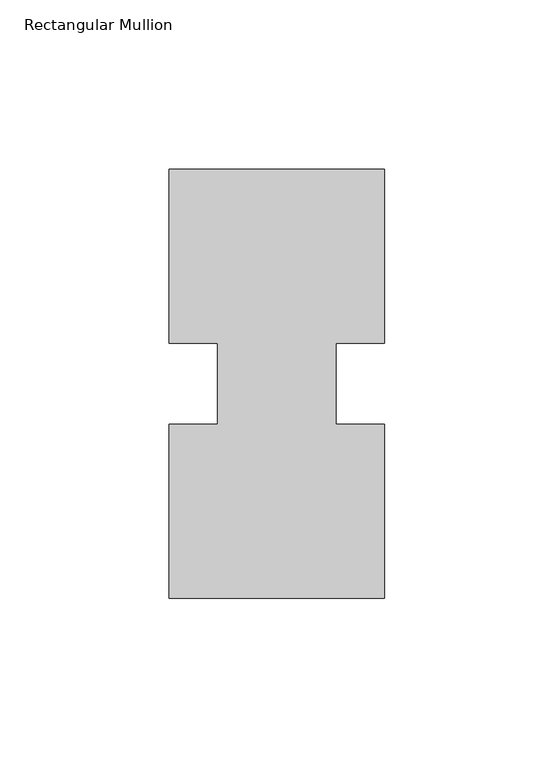
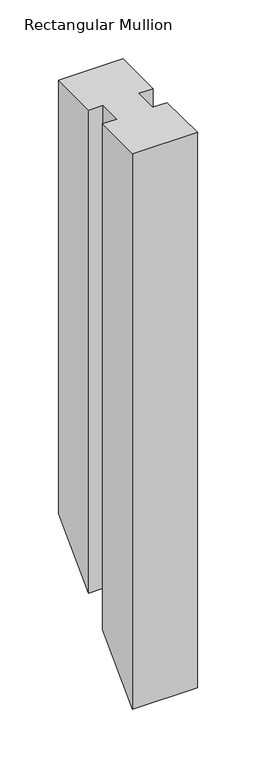
"""IFC4 building model written with IfcOpenShell, lengths in millimetres: member geometry, Rectangular Mullion."""

import ifcopenshell
import ifcopenshell.guid

model = None  # the IFC model being written
_history = None  # IfcOwnerHistory: only IFC2X3 demands one
_inside = {}  # id of a spatial element -> (the spatial element, [elements in it])
_under = {}  # id of a project, library or spatial element -> (it, [spatial elements below it])
_declared = {}  # id of a project -> (the project, [libraries it declares])
_typed = {}  # id of a type object -> (the type object, [elements of that type])
_made_of = {}  # id of a material, layer set ... -> (it, [elements and type objects made of it])


def new_model(schema):
    """Start an empty IFC model of exactly this schema.

    Asked for "IFC4X3", IfcOpenShell would pick the latest addendum, in which some entities
    have other attributes; the version numbers below select the first issue.
    IFC2X3 requires an IfcOwnerHistory on every rooted entity: one is made here for all.
    """
    global model, _history
    if schema == "IFC4X3":
        model = ifcopenshell.file(schema_version=(4, 3, 0, 0))
    else:
        model = ifcopenshell.file(schema=schema)
    _inside.clear()
    _under.clear()
    _declared.clear()
    _typed.clear()
    _made_of.clear()
    _history = None
    if model.schema == "IFC2X3":
        org = make("IfcOrganization", Name="unknown")
        user = make(
            "IfcPersonAndOrganization",
            ThePerson=make("IfcPerson", FamilyName="unknown"),
            TheOrganization=org,
        )
        app = make(
            "IfcApplication",
            ApplicationDeveloper=org,
            Version="unknown",
            ApplicationFullName="unknown",
            ApplicationIdentifier="unknown",
        )
        _history = make(
            "IfcOwnerHistory",
            OwningUser=user,
            OwningApplication=app,
            ChangeAction="ADDED",
            CreationDate=0,
        )
    return model


def make(cls, **values):
    """One entity of the class cls with the attributes given. An attribute that is None is left unset."""
    return model.create_entity(
        cls, **{name: value for name, value in values.items() if value is not None}
    )


def rooted(cls, **values):
    """An entity with a GlobalId (a new one), such as an element, a storey or a relation."""
    return make(cls, GlobalId=ifcopenshell.guid.new(), OwnerHistory=_history, **values)


def si_unit(unit_type, name, prefix=None):
    """IfcSIUnit, for example si_unit("LENGTHUNIT", "METRE", prefix="MILLI")."""
    return make("IfcSIUnit", UnitType=unit_type, Prefix=prefix, Name=name)


def assignment(units):
    """IfcUnitAssignment: the units of a project."""
    return None if units is None else make("IfcUnitAssignment", Units=units)


def point(xyz):
    """IfcCartesianPoint."""
    return None if xyz is None else make("IfcCartesianPoint", Coordinates=xyz)


def direction(xyz):
    """IfcDirection."""
    return None if xyz is None else make("IfcDirection", DirectionRatios=xyz)


def frame(location, z_axis=None, x_axis=None):
    """IfcAxis2Placement3D, a coordinate frame: its origin and axes. An axis left out is left unset."""
    return make(
        "IfcAxis2Placement3D",
        Location=point(location),
        Axis=direction(z_axis),
        RefDirection=direction(x_axis),
    )


def origin():
    """The frame at (0, 0, 0) with its axes left unset."""
    return frame((0.0, 0.0, 0.0))


def place(relative_to, where):
    """IfcLocalPlacement: puts the frame where relative to a parent placement (None: the world)."""
    return make(
        "IfcLocalPlacement", PlacementRelTo=relative_to, RelativePlacement=where
    )


def context(
    kind, dimensions, precision=None, world=None, true_north=None, identifier=None
):
    """IfcGeometricRepresentationContext, for example the 3D "Model" context."""
    return make(
        "IfcGeometricRepresentationContext",
        ContextIdentifier=identifier,
        ContextType=kind,
        CoordinateSpaceDimension=dimensions,
        Precision=precision,
        WorldCoordinateSystem=world,
        TrueNorth=true_north,
    )


def project(units=None, contexts=None):
    """IfcProject with its units and contexts."""
    return rooted(
        "IfcProject",
        Name="project",
        RepresentationContexts=contexts,
        UnitsInContext=assignment(units),
    )


def spatial(cls, under=None, at=None, **own):
    """A site, building, storey or space (cls), placed at a placement, below another one or the project."""
    s = rooted(cls, ObjectPlacement=at, **own)
    if under is not None:
        _under.setdefault(under.id(), (under, []))[1].append(s)
    return s


def faces_of(points, faces, orient=None, outer=None):
    """IfcFace entities. A face is a list of loops; a loop is a list of indices into points, from 0.

    orient and outer hold one flag for each loop. By default every Orientation is true, the
    first loop of a face is its IfcFaceOuterBound and the others are IfcFaceBound.
    """
    made = []
    for i, loops in enumerate(faces):
        bounds = []
        for j, loop in enumerate(loops):
            is_outer = j == 0 if outer is None else outer[i][j]
            bounds.append(
                make(
                    "IfcFaceOuterBound" if is_outer else "IfcFaceBound",
                    Bound=make("IfcPolyLoop", Polygon=[points[k] for k in loop]),
                    Orientation=True if orient is None else orient[i][j],
                )
            )
        made.append(make("IfcFace", Bounds=bounds))
    return made


def faceted_brep(points, faces, orient=None, outer=None, voids=None):
    """IfcFacetedBrep: a solid bounded by flat faces; with voids (closed shells), ...WithVoids."""
    shared = [point(p) for p in points]
    hull = make("IfcClosedShell", CfsFaces=faces_of(shared, faces, orient, outer))
    if voids is None:
        return make("IfcFacetedBrep", Outer=hull)
    return make(
        "IfcFacetedBrepWithVoids",
        Outer=hull,
        Voids=[
            make(cls, CfsFaces=faces_of(shared, fs, o, b)) for cls, fs, o, b in voids
        ],
    )


def shape(context_of_items, identifier, shape_type, items):
    """IfcShapeRepresentation: the items that make up one representation, for example the "Body"."""
    return make(
        "IfcShapeRepresentation",
        ContextOfItems=context_of_items,
        RepresentationIdentifier=identifier,
        RepresentationType=shape_type,
        Items=items,
    )


def source(mapping_origin, context_of_items, identifier, shape_type, items):
    """IfcRepresentationMap: a shape defined once, which mapped items show again and again."""
    return make(
        "IfcRepresentationMap",
        MappingOrigin=mapping_origin,
        MappedRepresentation=shape(context_of_items, identifier, shape_type, items),
    )


def transform(
    local_origin,
    x_axis=None,
    y_axis=None,
    z_axis=None,
    scale=None,
    scale2=None,
    scale3=None,
    uniform=True,
):
    """IfcCartesianTransformationOperator3D, or its non-uniform kind. x_axis, y_axis, z_axis: its Axis1, 2, 3."""
    if uniform:
        return make(
            "IfcCartesianTransformationOperator3D",
            Axis1=direction(x_axis),
            Axis2=direction(y_axis),
            LocalOrigin=point(local_origin),
            Scale=scale,
            Axis3=direction(z_axis),
        )
    return make(
        "IfcCartesianTransformationOperator3DnonUniform",
        Axis1=direction(x_axis),
        Axis2=direction(y_axis),
        LocalOrigin=point(local_origin),
        Scale=scale,
        Axis3=direction(z_axis),
        Scale2=scale2,
        Scale3=scale3,
    )


def mapped(mapping_source, mapping_target):
    """IfcMappedItem: shows the shape of a source again, moved by a transform."""
    return make(
        "IfcMappedItem", MappingSource=mapping_source, MappingTarget=mapping_target
    )


def made_of(thing, what):
    """Note that an element or type object is made of a material, layer set ...; save() writes the relation."""
    if what is not None:
        _made_of.setdefault(what.id(), (what, []))[1].append(thing)
    return thing


def element(
    cls,
    number,
    at=None,
    inside=None,
    cuts=None,
    type_object=None,
    material=None,
    context=None,
    identifier="Body",
    shape_type=None,
    held_by="IfcProductDefinitionShape",
    body=None,
    shapes=None,
    **own,
):
    """One element of the class cls, such as IfcWall. Its Tag is "e" and its number.

    at: its placement. inside: the storey or other place that contains it. cuts: it is an
    opening in that element (IfcRelVoidsElement). A single representation is given by context,
    identifier, shape_type and body (its items); several are given by shapes. held_by: the class
    of the entity that holds the representations. save() writes the other relations.
    """
    e = rooted(cls, Tag="e%d" % number, ObjectPlacement=at, **own)
    if body is not None:
        shapes = [shape(context, identifier, shape_type, body)]
    if shapes is not None:
        e.Representation = make(held_by, Representations=shapes)
    if inside is not None:
        _inside.setdefault(inside.id(), (inside, []))[1].append(e)
    if cuts is not None:
        rooted(
            "IfcRelVoidsElement", RelatingBuildingElement=cuts, RelatedOpeningElement=e
        )
    if type_object is not None:
        _typed.setdefault(type_object.id(), (type_object, []))[1].append(e)
    return made_of(e, material)


def aggregate(whole, parts):
    """IfcRelAggregates: a whole, such as a stair, and the parts it consists of."""
    return rooted("IfcRelAggregates", RelatingObject=whole, RelatedObjects=parts)


def save(model, path):
    """Write the relations noted so far, then the file.

    IfcRelAggregates (storeys below a building ...), IfcRelContainedInSpatialStructure (elements
    in a storey), IfcRelDefinesByType, IfcRelAssociatesMaterial and IfcRelDeclares: one each for
    every whole, place, type object, material and project.
    """
    for whole, parts in _under.values():
        aggregate(whole, parts)
    for where, things in _inside.values():
        rooted(
            "IfcRelContainedInSpatialStructure",
            RelatedElements=things,
            RelatingStructure=where,
        )
    for kind, things in _typed.values():
        rooted("IfcRelDefinesByType", RelatedObjects=things, RelatingType=kind)
    for what, things in _made_of.values():
        rooted("IfcRelAssociatesMaterial", RelatedObjects=things, RelatingMaterial=what)
    for by, libraries in _declared.values():
        rooted("IfcRelDeclares", RelatingContext=by, RelatedDefinitions=libraries)
    model.write(path)


def rectangular_mullion_f2f75cfa(model_context):
    return source(origin(), model_context, "Body", "Brep", [
        faceted_brep([(-63.5, 0.26035, 0.0), (0.0, 0.26035, 0.0), (0.0, 51.60645, 0.0), (-14.2748, 51.60645, 0.0), (-14.2748, 75.40625, 0.0), (0.0, 75.40625, 0.0), (0.0, 126.75235, 0.0), (-63.5, 126.75235, 0.0), (-63.5, 75.40625, 0.0), (-49.2125, 75.40625, 0.0), (-49.2125, 51.60645, 0.0), (-63.5, 51.60645, 0.0), (-63.5, 51.60645, -526.2435494), (-63.5, 0.26035, -577.5896494), (-49.2125, 51.60645, -526.2435494), (-49.2125, 75.40625, -502.4437494), (-63.5, 75.40625, -502.4437494), (-63.5, 126.75235, -451.0976494), (0.0, 126.75235, -451.0976494), (0.0, 75.40625, -502.4437494), (-14.2748, 75.40625, -502.4437494), (-14.2748, 51.60645, -526.2435494), (0.0, 51.60645, -526.2435494), (0.0, 0.26035, -577.5896494)], [[[0, 1, 2, 3, 4, 5, 6, 7, 8, 9, 10, 11]], [[0, 11, 12, 13]], [[11, 10, 14, 12]], [[10, 9, 15, 14]], [[9, 8, 16, 15]], [[8, 7, 17, 16]], [[7, 6, 18, 17]], [[6, 5, 19, 18]], [[5, 4, 20, 19]], [[4, 3, 21, 20]], [[3, 2, 22, 21]], [[2, 1, 23, 22]], [[1, 0, 13, 23]], [[13, 12, 14, 15, 16, 17, 18, 19, 20, 21, 22, 23]]]),
    ])


if __name__ == "__main__":
    model = new_model("IFC4")
    model_context = context("Model", 3, world=origin())
    ifc_project = project(units=[si_unit("LENGTHUNIT", "METRE", prefix="MILLI")], contexts=[model_context])
    site = spatial("IfcSite", under=ifc_project)
    building = spatial("IfcBuilding", under=site)
    placement = place(None, origin())
    rectangular_mullion_shape = rectangular_mullion_f2f75cfa(model_context)
    element("IfcMember", 1, ObjectType="Rectangular Mullion", at=placement, inside=building, context=model_context, shape_type="MappedRepresentation", body=[
        mapped(rectangular_mullion_shape, transform((0.0, 0.0, 0.0), x_axis=(1.0, 0.0, 0.0), y_axis=(0.0, 1.0, 0.0), z_axis=(0.0, 0.0, 1.0))),
    ])
    save(model, "model.ifc")
